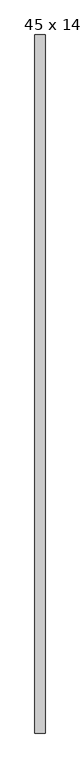
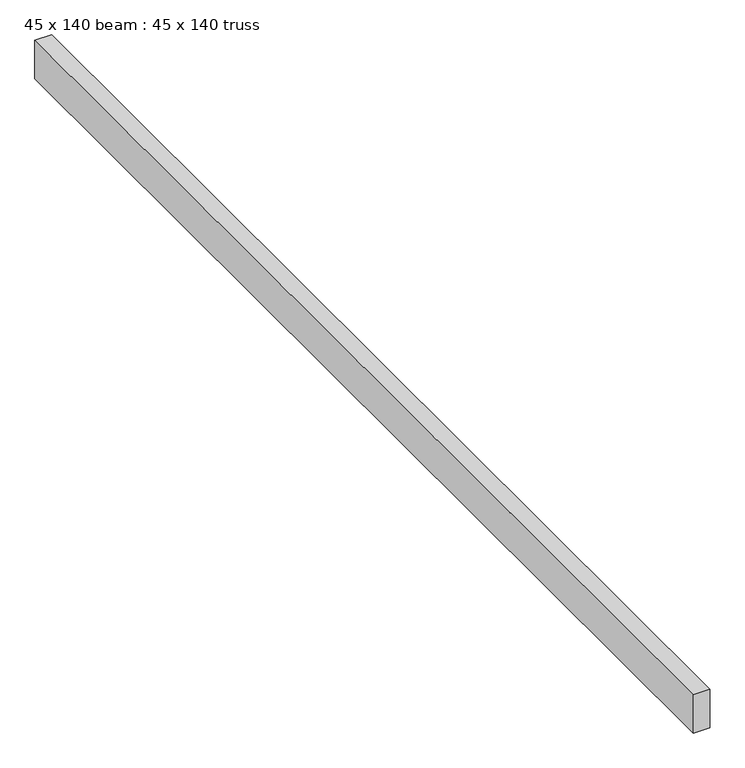
"""IFC4 building model written with IfcOpenShell, lengths in millimetres: proxy geometry, 45 x 140 beam : 45 x 140 truss."""

from ifc_helpers import new_model, si_unit, frame, origin, place, context, project, spatial, polyline, outline, extrude, source, transform, mapped, element, save


def proxy_45_x_140_beam_45_x_140_truss_2a803313(model_context):
    return source(origin(), model_context, "Body", "SweptSolid", [
        extrude(outline(polyline([(-1204.2625768, -4551.0033806), (-1249.2625768, -4551.0033806), (-1249.2625768, -1461.0033806), (-1204.2625768, -1461.0033806), (-1204.2625768, -4551.0033806)])), frame((0.0, 0.0, 3675.1978483), z_axis=(0.0, 0.0, 1.0), x_axis=(1.0, 0.0, 0.0)), (0.0, 0.0, 1.0), 109.0474323),
    ])


if __name__ == "__main__":
    model = new_model("IFC4")
    model_context = context("Model", 3, world=origin())
    ifc_project = project(units=[si_unit("LENGTHUNIT", "METRE", prefix="MILLI")], contexts=[model_context])
    site = spatial("IfcSite", under=ifc_project)
    building = spatial("IfcBuilding", under=site)
    placement = place(None, origin())
    proxy_45_x_140_beam_45_x_140_truss_shape = proxy_45_x_140_beam_45_x_140_truss_2a803313(model_context)
    element("IfcBuildingElementProxy", 1, Name="45 x 140 beam : 45 x 140 truss", ObjectType="45 x 140 beam : 45 x 140 truss", at=placement, inside=building, context=model_context, shape_type="MappedRepresentation", body=[
        mapped(proxy_45_x_140_beam_45_x_140_truss_shape, transform((0.0, 0.0, 0.0), x_axis=(1.0, 0.0, 0.0), y_axis=(0.0, 1.0, 0.0), z_axis=(0.0, 0.0, 1.0))),
    ])
    save(model, "model.ifc")
